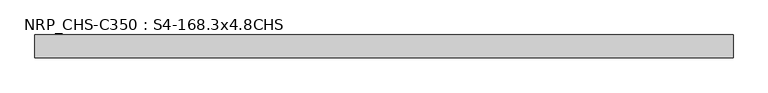
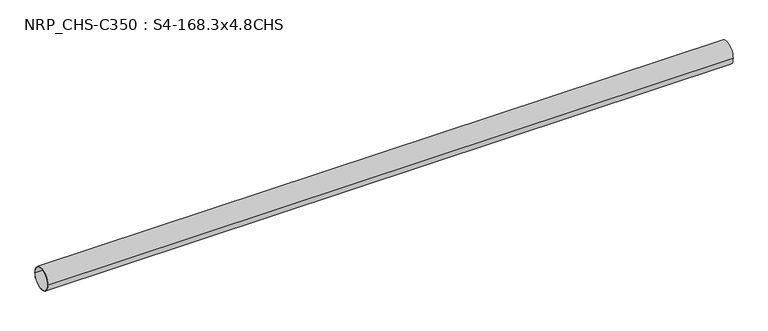
"""IFC4 building model written with IfcOpenShell, lengths in millimetres: beam geometry, NRP_CHS-C350 : S4-168.3x4.8CHS."""

from ifc_helpers import new_model, si_unit, point, frame, origin, origin_2d, place, context, project, spatial, circle_curve, trimmed, segment, composite_curve, outline, extrude, source, transform, mapped, element, save


def nrp_chs_c350_s4_168_3x4_8chs_de41a5a3(model_context):
    return source(origin(), model_context, "Body", "SweptSolid", [
        extrude(outline(composite_curve([segment(trimmed(circle_curve(origin_2d(), 84.15), [point((84.15, 0.0))], [point((-84.15, 0.0))], False, "CARTESIAN"), True, "CONTINUOUS"), segment(trimmed(circle_curve(origin_2d(), 84.15), [point((-84.15, 0.0))], [point((84.15, 0.0))], False, "CARTESIAN"), True, "CONTINUOUS")], self_intersect=False), holes=[composite_curve([segment(trimmed(circle_curve(origin_2d(), 79.35), [point((-79.35, 0.0))], [point((79.35, 0.0))], True, "CARTESIAN"), True, "CONTINUOUS"), segment(trimmed(circle_curve(origin_2d(), 79.35), [point((79.35, 0.0))], [point((-79.35, 0.0))], True, "CARTESIAN"), True, "CONTINUOUS")], self_intersect=False)]), frame((-2576.45, 0.0, 0.0), z_axis=(1.0, 0.0, 0.0), x_axis=(0.0, 1.0, 0.0)), (0.0, 0.0, 1.0), 5152.9),
    ])


if __name__ == "__main__":
    model = new_model("IFC4")
    model_context = context("Model", 3, world=origin())
    ifc_project = project(units=[si_unit("LENGTHUNIT", "METRE", prefix="MILLI")], contexts=[model_context])
    site = spatial("IfcSite", under=ifc_project)
    building = spatial("IfcBuilding", under=site)
    placement = place(None, origin())
    nrp_chs_c350_s4_168_3x4_8chs_shape = nrp_chs_c350_s4_168_3x4_8chs_de41a5a3(model_context)
    element("IfcBeam", 1, ObjectType="NRP_CHS-C350 : S4-168.3x4.8CHS", at=placement, inside=building, context=model_context, shape_type="MappedRepresentation", body=[
        mapped(nrp_chs_c350_s4_168_3x4_8chs_shape, transform((0.0, 0.0, 0.0), x_axis=(1.0, 0.0, 0.0), y_axis=(0.0, 1.0, 0.0), z_axis=(0.0, 0.0, 1.0))),
    ])
    save(model, "model.ifc")
